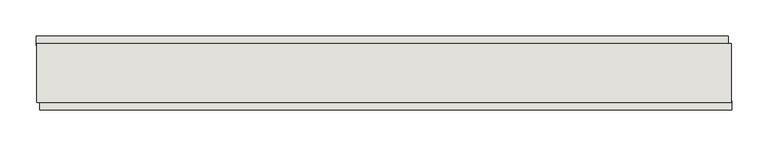
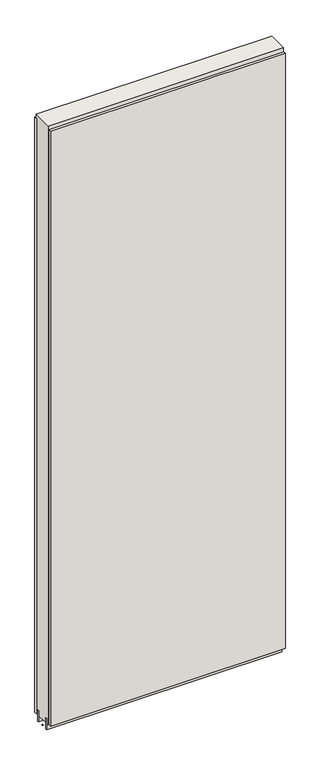
"""IFC4 building model written with IfcOpenShell, lengths in millimetres: wall geometry."""

import ifcopenshell
import ifcopenshell.guid

model = None  # the IFC model being written
_history = None  # IfcOwnerHistory: only IFC2X3 demands one
_inside = {}  # id of a spatial element -> (the spatial element, [elements in it])
_under = {}  # id of a project, library or spatial element -> (it, [spatial elements below it])
_declared = {}  # id of a project -> (the project, [libraries it declares])
_typed = {}  # id of a type object -> (the type object, [elements of that type])
_made_of = {}  # id of a material, layer set ... -> (it, [elements and type objects made of it])


def new_model(schema):
    """Start an empty IFC model of exactly this schema.

    Asked for "IFC4X3", IfcOpenShell would pick the latest addendum, in which some entities
    have other attributes; the version numbers below select the first issue.
    IFC2X3 requires an IfcOwnerHistory on every rooted entity: one is made here for all.
    """
    global model, _history
    if schema == "IFC4X3":
        model = ifcopenshell.file(schema_version=(4, 3, 0, 0))
    else:
        model = ifcopenshell.file(schema=schema)
    _inside.clear()
    _under.clear()
    _declared.clear()
    _typed.clear()
    _made_of.clear()
    _history = None
    if model.schema == "IFC2X3":
        org = make("IfcOrganization", Name="unknown")
        user = make(
            "IfcPersonAndOrganization",
            ThePerson=make("IfcPerson", FamilyName="unknown"),
            TheOrganization=org,
        )
        app = make(
            "IfcApplication",
            ApplicationDeveloper=org,
            Version="unknown",
            ApplicationFullName="unknown",
            ApplicationIdentifier="unknown",
        )
        _history = make(
            "IfcOwnerHistory",
            OwningUser=user,
            OwningApplication=app,
            ChangeAction="ADDED",
            CreationDate=0,
        )
    return model


def make(cls, **values):
    """One entity of the class cls with the attributes given. An attribute that is None is left unset."""
    return model.create_entity(
        cls, **{name: value for name, value in values.items() if value is not None}
    )


def rooted(cls, **values):
    """An entity with a GlobalId (a new one), such as an element, a storey or a relation."""
    return make(cls, GlobalId=ifcopenshell.guid.new(), OwnerHistory=_history, **values)


def si_unit(unit_type, name, prefix=None):
    """IfcSIUnit, for example si_unit("LENGTHUNIT", "METRE", prefix="MILLI")."""
    return make("IfcSIUnit", UnitType=unit_type, Prefix=prefix, Name=name)


def assignment(units):
    """IfcUnitAssignment: the units of a project."""
    return None if units is None else make("IfcUnitAssignment", Units=units)


def point(xyz):
    """IfcCartesianPoint."""
    return None if xyz is None else make("IfcCartesianPoint", Coordinates=xyz)


def direction(xyz):
    """IfcDirection."""
    return None if xyz is None else make("IfcDirection", DirectionRatios=xyz)


def frame(location, z_axis=None, x_axis=None):
    """IfcAxis2Placement3D, a coordinate frame: its origin and axes. An axis left out is left unset."""
    return make(
        "IfcAxis2Placement3D",
        Location=point(location),
        Axis=direction(z_axis),
        RefDirection=direction(x_axis),
    )


def origin():
    """The frame at (0, 0, 0) with its axes left unset."""
    return frame((0.0, 0.0, 0.0))


def place(relative_to, where):
    """IfcLocalPlacement: puts the frame where relative to a parent placement (None: the world)."""
    return make(
        "IfcLocalPlacement", PlacementRelTo=relative_to, RelativePlacement=where
    )


def context(
    kind, dimensions, precision=None, world=None, true_north=None, identifier=None
):
    """IfcGeometricRepresentationContext, for example the 3D "Model" context."""
    return make(
        "IfcGeometricRepresentationContext",
        ContextIdentifier=identifier,
        ContextType=kind,
        CoordinateSpaceDimension=dimensions,
        Precision=precision,
        WorldCoordinateSystem=world,
        TrueNorth=true_north,
    )


def project(units=None, contexts=None):
    """IfcProject with its units and contexts."""
    return rooted(
        "IfcProject",
        Name="project",
        RepresentationContexts=contexts,
        UnitsInContext=assignment(units),
    )


def spatial(cls, under=None, at=None, **own):
    """A site, building, storey or space (cls), placed at a placement, below another one or the project."""
    s = rooted(cls, ObjectPlacement=at, **own)
    if under is not None:
        _under.setdefault(under.id(), (under, []))[1].append(s)
    return s


def polyline(points):
    """IfcPolyline through the points."""
    return make("IfcPolyline", Points=[point(p) for p in points])


def outline(outer, holes=None, kind="AREA"):
    """IfcArbitraryClosedProfileDef: a profile drawn as a closed curve; with holes, ...WithVoids."""
    if holes is None:
        return make("IfcArbitraryClosedProfileDef", ProfileType=kind, OuterCurve=outer)
    return make(
        "IfcArbitraryProfileDefWithVoids",
        ProfileType=kind,
        OuterCurve=outer,
        InnerCurves=holes,
    )


def extrude(swept, where, along, depth):
    """IfcExtrudedAreaSolid: the profile swept, set in the frame where, extruded along a direction by depth."""
    return make(
        "IfcExtrudedAreaSolid",
        SweptArea=swept,
        Position=where,
        ExtrudedDirection=direction(along),
        Depth=depth,
    )


def shape(context_of_items, identifier, shape_type, items):
    """IfcShapeRepresentation: the items that make up one representation, for example the "Body"."""
    return make(
        "IfcShapeRepresentation",
        ContextOfItems=context_of_items,
        RepresentationIdentifier=identifier,
        RepresentationType=shape_type,
        Items=items,
    )


def source(mapping_origin, context_of_items, identifier, shape_type, items):
    """IfcRepresentationMap: a shape defined once, which mapped items show again and again."""
    return make(
        "IfcRepresentationMap",
        MappingOrigin=mapping_origin,
        MappedRepresentation=shape(context_of_items, identifier, shape_type, items),
    )


def transform(
    local_origin,
    x_axis=None,
    y_axis=None,
    z_axis=None,
    scale=None,
    scale2=None,
    scale3=None,
    uniform=True,
):
    """IfcCartesianTransformationOperator3D, or its non-uniform kind. x_axis, y_axis, z_axis: its Axis1, 2, 3."""
    if uniform:
        return make(
            "IfcCartesianTransformationOperator3D",
            Axis1=direction(x_axis),
            Axis2=direction(y_axis),
            LocalOrigin=point(local_origin),
            Scale=scale,
            Axis3=direction(z_axis),
        )
    return make(
        "IfcCartesianTransformationOperator3DnonUniform",
        Axis1=direction(x_axis),
        Axis2=direction(y_axis),
        LocalOrigin=point(local_origin),
        Scale=scale,
        Axis3=direction(z_axis),
        Scale2=scale2,
        Scale3=scale3,
    )


def mapped(mapping_source, mapping_target):
    """IfcMappedItem: shows the shape of a source again, moved by a transform."""
    return make(
        "IfcMappedItem", MappingSource=mapping_source, MappingTarget=mapping_target
    )


def made_of(thing, what):
    """Note that an element or type object is made of a material, layer set ...; save() writes the relation."""
    if what is not None:
        _made_of.setdefault(what.id(), (what, []))[1].append(thing)
    return thing


def element(
    cls,
    number,
    at=None,
    inside=None,
    cuts=None,
    type_object=None,
    material=None,
    context=None,
    identifier="Body",
    shape_type=None,
    held_by="IfcProductDefinitionShape",
    body=None,
    shapes=None,
    **own,
):
    """One element of the class cls, such as IfcWall. Its Tag is "e" and its number.

    at: its placement. inside: the storey or other place that contains it. cuts: it is an
    opening in that element (IfcRelVoidsElement). A single representation is given by context,
    identifier, shape_type and body (its items); several are given by shapes. held_by: the class
    of the entity that holds the representations. save() writes the other relations.
    """
    e = rooted(cls, Tag="e%d" % number, ObjectPlacement=at, **own)
    if body is not None:
        shapes = [shape(context, identifier, shape_type, body)]
    if shapes is not None:
        e.Representation = make(held_by, Representations=shapes)
    if inside is not None:
        _inside.setdefault(inside.id(), (inside, []))[1].append(e)
    if cuts is not None:
        rooted(
            "IfcRelVoidsElement", RelatingBuildingElement=cuts, RelatedOpeningElement=e
        )
    if type_object is not None:
        _typed.setdefault(type_object.id(), (type_object, []))[1].append(e)
    return made_of(e, material)


def aggregate(whole, parts):
    """IfcRelAggregates: a whole, such as a stair, and the parts it consists of."""
    return rooted("IfcRelAggregates", RelatingObject=whole, RelatedObjects=parts)


def save(model, path):
    """Write the relations noted so far, then the file.

    IfcRelAggregates (storeys below a building ...), IfcRelContainedInSpatialStructure (elements
    in a storey), IfcRelDefinesByType, IfcRelAssociatesMaterial and IfcRelDeclares: one each for
    every whole, place, type object, material and project.
    """
    for whole, parts in _under.values():
        aggregate(whole, parts)
    for where, things in _inside.values():
        rooted(
            "IfcRelContainedInSpatialStructure",
            RelatedElements=things,
            RelatingStructure=where,
        )
    for kind, things in _typed.values():
        rooted("IfcRelDefinesByType", RelatedObjects=things, RelatingType=kind)
    for what, things in _made_of.values():
        rooted("IfcRelAssociatesMaterial", RelatedObjects=things, RelatingMaterial=what)
    for by, libraries in _declared.values():
        rooted("IfcRelDeclares", RelatingContext=by, RelatedDefinitions=libraries)
    model.write(path)


def wall_85643116(model_context):
    return source(origin(), model_context, "Body", "SweptSolid", [
        extrude(outline(polyline([(47840.9173736, -39417.1245692), (47838.3773736, -39417.1245692), (47838.3773736, -39414.5845692), (47840.9173736, -39414.5845692), (47840.9173736, -39417.1245692)])), frame((0.0, 0.0, 4419.6), z_axis=(0.0, 0.0, 1.0), x_axis=(1.0, 0.0, 0.0)), (0.0, 0.0, 1.0), 2.54),
        extrude(outline(polyline([(47837.9145602, -39365.0545692), (48787.6479922, -39365.0545692), (48787.6479922, -39377.7545692), (47837.9145602, -39377.7545692), (47837.9145602, -39365.0545692)])), frame((0.0, 0.0, 4445.0), z_axis=(0.0, 0.0, 1.0), x_axis=(1.0, 0.0, 0.0)), (0.0, 0.0, 1.0), 2545.0498756),
        extrude(outline(polyline([(48792.577929, -39466.6545692), (47842.844497, -39466.6545692), (47842.844497, -39453.9545692), (48792.577929, -39453.9545692), (48792.577929, -39466.6545692)])), frame((0.0, 0.0, 4445.0), z_axis=(0.0, 0.0, 1.0), x_axis=(1.0, 0.0, 0.0)), (0.0, 0.0, 1.0), 2545.0498756),
        extrude(outline(polyline([(48792.103965, -39390.7770222), (47838.3854254, -39390.7770222), (47838.3854254, -39385.6982668), (48792.103965, -39385.6982668), (48792.103965, -39390.7770222)])), frame((0.0, 0.0, 4418.6602), z_axis=(0.0, 0.0, 1.0), x_axis=(1.0, 0.0, 0.0)), (0.0, 0.0, 1.0), 47.625),
        extrude(outline(polyline([(48792.103965, -39390.7770222), (47838.3854254, -39390.7770222), (47838.3854254, -39385.6982668), (48792.103965, -39385.6982668), (48792.103965, -39390.7770222)])), frame((0.0, 0.0, 4418.6602), z_axis=(0.0, 0.0, 1.0), x_axis=(1.0, 0.0, 0.0)), (0.0, 0.0, 1.0), 47.625),
        extrude(outline(polyline([(47838.3854254, -39440.9414126), (48792.103965, -39440.9414126), (48792.103965, -39446.0232668), (47838.3854254, -39446.0232668), (47838.3854254, -39440.9414126)])), frame((0.0, 0.0, 4418.6602), z_axis=(0.0, 0.0, 1.0), x_axis=(1.0, 0.0, 0.0)), (0.0, 0.0, 1.0), 47.625),
        extrude(outline(polyline([(47838.3854254, -39440.9414126), (48792.103965, -39440.9414126), (48792.103965, -39446.0232668), (47838.3854254, -39446.0232668), (47838.3854254, -39440.9414126)])), frame((0.0, 0.0, 4418.6602), z_axis=(0.0, 0.0, 1.0), x_axis=(1.0, 0.0, 0.0)), (0.0, 0.0, 1.0), 47.625),
        extrude(outline(polyline([(48792.103965, -39375.2058824), (48792.103965, -39456.4877366), (47838.3854254, -39456.4877366), (47838.3854254, -39375.2058824), (48792.103965, -39375.2058824)])), frame((0.0, 0.0, 4445.0), z_axis=(0.0, 0.0, 1.0), x_axis=(1.0, 0.0, 0.0)), (0.0, 0.0, 1.0), 2562.4536762),
    ])


if __name__ == "__main__":
    model = new_model("IFC4")
    model_context = context("Model", 3, world=origin())
    ifc_project = project(units=[si_unit("LENGTHUNIT", "METRE", prefix="MILLI")], contexts=[model_context])
    site = spatial("IfcSite", under=ifc_project)
    building = spatial("IfcBuilding", under=site)
    placement = place(None, origin())
    wall_shape = wall_85643116(model_context)
    element("IfcWall", 1, at=placement, inside=building, context=model_context, shape_type="MappedRepresentation", body=[
        mapped(wall_shape, transform((0.0, 0.0, 0.0), x_axis=(1.0, 0.0, 0.0), y_axis=(0.0, 1.0, 0.0), z_axis=(0.0, 0.0, 1.0))),
    ])
    save(model, "model.ifc")
